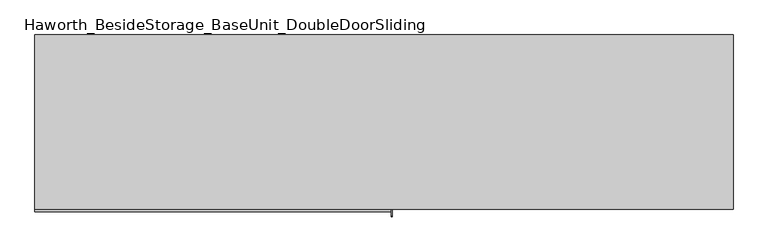
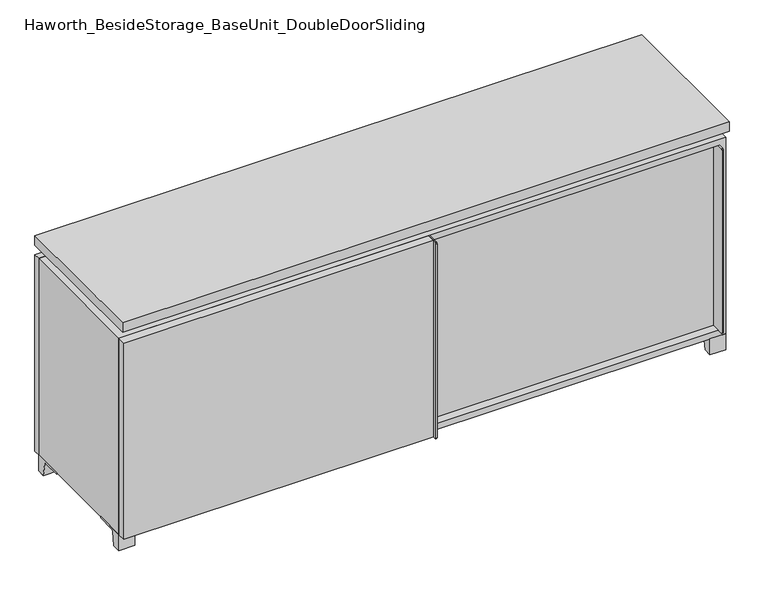
"""IFC4 building model written with IfcOpenShell, lengths in millimetres: furniture geometry, Haworth_BesideStorage_BaseUnit_DoubleDoorSliding."""

from ifc_helpers import new_model, si_unit, point, frame, frame_2d, origin, place, context, project, spatial, polyline, circle_curve, trimmed, segment, composite_curve, outline, extrude, faceted_brep, source, transform, mapped, element, save


def haworth_besidestorage_baseunit_doubledoorsliding_4af32951(model_context):
    return source(origin(), model_context, "Body", "SolidModel", [
        extrude(outline(polyline([(9.5319453, 241.3), (895.3569453, 241.3), (895.3569453, -92.075), (9.5319453, -92.075), (9.5319453, 241.3)])), frame((0.0, 0.0, 354.0125), z_axis=(0.0, 0.0, 1.0), x_axis=(1.0, 0.0, 0.0)), (0.0, 0.0, 1.0), 19.05),
        extrude(outline(polyline([(-9.5041641, 241.3), (-9.5041641, -92.075), (-895.3291641, -92.075), (-895.3291641, 241.3), (-9.5041641, 241.3)])), frame((0.0, 0.0, 354.0125), z_axis=(0.0, 0.0, 1.0), x_axis=(1.0, 0.0, 0.0)), (0.0, 0.0, 1.0), 19.05),
        extrude(outline(composite_curve([segment(polyline([(47.6249864, 0.0), (22.225, 0.0), (22.225, 50.8), (117.475, 50.8), (117.475, 46.0213321), (60.6744655, 46.0213321)]), True, "CONTINUOUS"), segment(trimmed(circle_curve(frame_2d((60.6744655, 39.6713321)), 6.35), [point((60.6744655, 46.0213321))], [point((54.4108641, 40.7152656))], True, "CARTESIAN"), True, "CONTINUOUS"), segment(polyline([(54.4108641, 40.7152656), (47.6249864, 0.0)]), True, "CONTINUOUS")], self_intersect=False)), frame((-23.7986094, 0.0, 0.0), z_axis=(1.0, 0.0, 0.0), x_axis=(0.0, 1.0, 0.0)), (0.0, 0.0, 1.0), 47.625),
        extrude(outline(composite_curve([segment(polyline([(-95.25, 657.225), (-95.25, 69.85), (-161.925, 69.85)]), True, "CONTINUOUS"), segment(trimmed(circle_curve(frame_2d((-161.925, 73.025)), 3.175), [point((-161.925, 69.85))], [point((-165.1, 73.025))], False, "CARTESIAN"), True, "CONTINUOUS"), segment(polyline([(-165.1, 73.025), (-165.1, 654.05)]), True, "CONTINUOUS"), segment(trimmed(circle_curve(frame_2d((-161.925, 654.05)), 3.175), [point((-165.1, 654.05))], [point((-161.925, 657.225))], False, "CARTESIAN"), True, "CONTINUOUS"), segment(polyline([(-161.925, 657.225), (-95.25, 657.225)]), True, "CONTINUOUS")], self_intersect=False)), frame((892.1819453, 0.0, 0.0), z_axis=(1.0, 0.0, 0.0), x_axis=(0.0, 1.0, 0.0)), (0.0, 0.0, 1.0), 3.175),
        extrude(outline(polyline([(15.8819453, -95.25), (892.1819453, -95.25), (892.1819453, -120.65), (15.8819453, -120.65), (15.8819453, -95.25)])), frame((0.0, 0.0, 69.85), z_axis=(0.0, 0.0, 1.0), x_axis=(1.0, 0.0, 0.0)), (0.0, 0.0, 1.0), 587.375),
        extrude(outline(polyline([(914.4138906, 292.1), (914.4138906, -165.1), (-914.3861094, -165.1), (-914.3861094, 292.1), (914.4138906, 292.1)])), frame((0.0, 0.0, 706.4375), z_axis=(0.0, 0.0, 1.0), x_axis=(1.0, 0.0, 0.0)), (0.0, 0.0, 1.0), 30.1625),
        extrude(outline(composite_curve([segment(polyline([(-146.05, 676.275), (-146.05, 50.8), (-180.975, 50.8)]), True, "CONTINUOUS"), segment(trimmed(circle_curve(frame_2d((-180.975, 53.975)), 3.175), [point((-180.975, 50.8))], [point((-184.15, 53.975))], False, "CARTESIAN"), True, "CONTINUOUS"), segment(polyline([(-184.15, 53.975), (-184.15, 673.1)]), True, "CONTINUOUS"), segment(trimmed(circle_curve(frame_2d((-180.975, 673.1)), 3.175), [point((-184.15, 673.1))], [point((-180.975, 676.275))], False, "CARTESIAN"), True, "CONTINUOUS"), segment(polyline([(-180.975, 676.275), (-146.05, 676.275)]), True, "CONTINUOUS")], self_intersect=False)), frame((19.0638906, 0.0, 0.0), z_axis=(1.0, 0.0, 0.0), x_axis=(0.0, 1.0, 0.0)), (0.0, 0.0, 1.0), 3.175),
        extrude(outline(polyline([(-914.3861094, -146.05), (19.0638906, -146.05), (19.0638906, -171.45), (-914.3861094, -171.45), (-914.3861094, -146.05)])), frame((0.0, 0.0, 50.8), z_axis=(0.0, 0.0, 1.0), x_axis=(1.0, 0.0, 0.0)), (0.0, 0.0, 1.0), 625.475),
        extrude(outline(composite_curve([segment(polyline([(-120.6500136, 0.0), (-146.05, 0.0), (-146.05, 50.8), (-50.8, 50.8), (-50.8, 46.0213321), (-107.6005345, 46.0213321)]), True, "CONTINUOUS"), segment(trimmed(circle_curve(frame_2d((-107.6005345, 39.6713321)), 6.35), [point((-107.6005345, 46.0213321))], [point((-113.8641359, 40.7152656))], True, "CARTESIAN"), True, "CONTINUOUS"), segment(polyline([(-113.8641359, 40.7152656), (-120.6500136, 0.0)]), True, "CONTINUOUS")], self_intersect=False)), frame((866.7888906, 0.0, 0.0), z_axis=(1.0, 0.0, 0.0), x_axis=(0.0, 1.0, 0.0)), (0.0, 0.0, 1.0), 47.625),
        extrude(outline(composite_curve([segment(polyline([(247.6500136, 0.0), (240.8641359, 40.7152656)]), True, "CONTINUOUS"), segment(trimmed(circle_curve(frame_2d((234.6005345, 39.6713321)), 6.35), [point((240.8641359, 40.7152656))], [point((234.6005345, 46.0213321))], True, "CARTESIAN"), True, "CONTINUOUS"), segment(polyline([(234.6005345, 46.0213321), (177.8, 46.0213321), (177.8, 50.8), (273.05, 50.8), (273.05, 0.0), (247.6500136, 0.0)]), True, "CONTINUOUS")], self_intersect=False)), frame((866.7888906, 0.0, 0.0), z_axis=(1.0, 0.0, 0.0), x_axis=(0.0, 1.0, 0.0)), (0.0, 0.0, 1.0), 47.625),
        extrude(outline(composite_curve([segment(polyline([(-120.6500136, 0.0), (-146.05, 0.0), (-146.05, 50.8), (-50.8, 50.8), (-50.8, 46.0213321), (-107.6005345, 46.0213321)]), True, "CONTINUOUS"), segment(trimmed(circle_curve(frame_2d((-107.6005345, 39.6713321)), 6.35), [point((-107.6005345, 46.0213321))], [point((-113.8641359, 40.7152656))], True, "CARTESIAN"), True, "CONTINUOUS"), segment(polyline([(-113.8641359, 40.7152656), (-120.6500136, 0.0)]), True, "CONTINUOUS")], self_intersect=False)), frame((-914.3861094, 0.0, 0.0), z_axis=(1.0, 0.0, 0.0), x_axis=(0.0, 1.0, 0.0)), (0.0, 0.0, 1.0), 47.625),
        extrude(outline(composite_curve([segment(polyline([(247.6500136, 0.0), (240.8641359, 40.7152656)]), True, "CONTINUOUS"), segment(trimmed(circle_curve(frame_2d((234.6005345, 39.6713321)), 6.35), [point((240.8641359, 40.7152656))], [point((234.6005345, 46.0213321))], True, "CARTESIAN"), True, "CONTINUOUS"), segment(polyline([(234.6005345, 46.0213321), (177.8, 46.0213321), (177.8, 50.8), (273.05, 50.8), (273.05, 0.0), (247.6500136, 0.0)]), True, "CONTINUOUS")], self_intersect=False)), frame((-914.3861094, 0.0, 0.0), z_axis=(1.0, 0.0, 0.0), x_axis=(0.0, 1.0, 0.0)), (0.0, 0.0, 1.0), 47.625),
        faceted_brep([(7.9513906, -120.65, 706.4375), (7.9513906, -120.65, 676.275), (7.9513906, 53.975, 676.275), (7.9513906, 53.975, 706.4375), (7.9513906, 247.65, 676.275), (7.9513906, 247.65, 706.4375), (7.9513906, 73.025, 706.4375), (7.9513906, 73.025, 676.275), (-7.9236094, 247.65, 706.4375), (-7.9236094, 247.65, 676.275), (-7.9236094, 73.025, 676.275), (-7.9236094, 73.025, 706.4375), (-7.9236094, -120.65, 676.275), (-7.9236094, -120.65, 706.4375), (-7.9236094, 53.975, 706.4375), (-7.9236094, 53.975, 676.275), (-873.0833281, 73.025, 706.4375), (-873.1041641, 247.65, 706.4375), (-888.9791641, 247.65, 706.4375), (-888.9791641, -120.65, 706.4375), (-873.1041641, -120.65, 706.4375), (-873.1041641, 53.975, 706.4375), (873.1111094, 53.975, 706.4375), (873.1111094, -120.65, 706.4375), (888.9861094, -120.65, 706.4375), (888.9861094, 247.65, 706.4375), (873.1111094, 247.65, 706.4375), (873.1111094, 73.025, 706.4375), (-873.0833281, 53.975, 676.275), (-873.1041641, -120.65, 676.275), (-888.9791641, -120.65, 676.275), (-888.9791641, 247.65, 676.275), (-873.1041641, 247.65, 676.275), (-873.1041641, 73.025, 676.275), (873.1111094, 73.025, 676.275), (873.1111094, 247.65, 676.275), (888.9861094, 247.65, 676.275), (888.9861094, -120.65, 676.275), (873.1111094, -120.65, 676.275), (873.1111094, 53.975, 676.275)], [[[0, 1, 2, 3]], [[4, 5, 6, 7]], [[8, 9, 10, 11]], [[12, 13, 14, 15]], [[5, 8, 11, 16, 17, 18, 19, 20, 21, 14, 13, 0, 3, 22, 23, 24, 25, 26, 27, 6]], [[1, 12, 15, 28, 29, 30, 31, 32, 33, 10, 9, 4, 7, 34, 35, 36, 37, 38, 39, 2]], [[5, 4, 9, 8]], [[1, 0, 13, 12]], [[6, 27, 34, 7]], [[22, 3, 2, 39]], [[20, 29, 28, 21]], [[32, 17, 16, 33]], [[18, 31, 30, 19]], [[29, 20, 19, 30]], [[17, 32, 31, 18]], [[26, 35, 34, 27]], [[38, 23, 22, 39]], [[25, 24, 37, 36]], [[23, 38, 37, 24]], [[35, 26, 25, 36]], [[16, 11, 10, 33]], [[14, 21, 28, 15]]]),
        extrude(outline(polyline([(9.5388906, 241.3), (9.5388906, -95.25), (-9.5111094, -95.25), (-9.5111094, 241.3), (9.5388906, 241.3)])), frame((0.0, 0.0, 69.85), z_axis=(0.0, 0.0, 1.0), x_axis=(1.0, 0.0, 0.0)), (0.0, 0.0, 1.0), 587.375),
        extrude(outline(polyline([(15.8888906, -88.9), (15.8888906, -146.05), (-9.5111094, -146.05), (-9.5111094, -120.65), (3.1888906, -120.65), (3.1888906, -88.9), (15.8888906, -88.9)])), frame((0.0, 0.0, 69.85), z_axis=(0.0, 0.0, 1.0), x_axis=(1.0, 0.0, 0.0)), (0.0, 0.0, 1.0), 587.375),
        extrude(outline(polyline([(914.4138906, 273.05), (-914.3861094, 273.05), (-914.3861094, 292.1), (914.4138906, 292.1), (914.4138906, 273.05)])), frame((0.0, 0.0, 50.8), z_axis=(0.0, 0.0, 1.0), x_axis=(1.0, 0.0, 0.0)), (0.0, 0.0, 1.0), 625.475),
        extrude(outline(polyline([(50.8, -914.3861094), (50.8, 914.4), (676.275, 914.4), (676.275, -914.3861094), (50.8, -914.3861094)]), holes=[polyline([(69.85, -895.3361094), (657.225, -895.3361094), (657.225, 895.3361094), (69.85, 895.3361094), (69.85, -895.3361094)])]), frame((0.0, -146.05, 0.0), z_axis=(0.0, 1.0, 0.0), x_axis=(0.0, 0.0, 1.0)), (0.0, 0.0, 1.0), 419.1),
        extrude(outline(polyline([(-895.3291641, 241.3), (-895.3291641, 247.65), (895.3569453, 247.65), (895.3569453, 241.3), (-895.3291641, 241.3)])), frame((0.0, 0.0, 69.85), z_axis=(0.0, 0.0, 1.0), x_axis=(1.0, 0.0, 0.0)), (0.0, 0.0, 1.0), 587.375),
    ])


if __name__ == "__main__":
    model = new_model("IFC4")
    model_context = context("Model", 3, world=origin())
    ifc_project = project(units=[si_unit("LENGTHUNIT", "METRE", prefix="MILLI")], contexts=[model_context])
    site = spatial("IfcSite", under=ifc_project)
    building = spatial("IfcBuilding", under=site)
    placement = place(None, origin())
    haworth_besidestorage_baseunit_doubledoorsliding_shape = haworth_besidestorage_baseunit_doubledoorsliding_4af32951(model_context)
    element("IfcFurniture", 1, ObjectType="Haworth_BesideStorage_BaseUnit_DoubleDoorSliding", at=placement, inside=building, context=model_context, shape_type="MappedRepresentation", body=[
        mapped(haworth_besidestorage_baseunit_doubledoorsliding_shape, transform((0.0, 0.0, 0.0), x_axis=(1.0, 0.0, 0.0), y_axis=(0.0, 1.0, 0.0), z_axis=(0.0, 0.0, 1.0))),
    ])
    save(model, "model.ifc")
